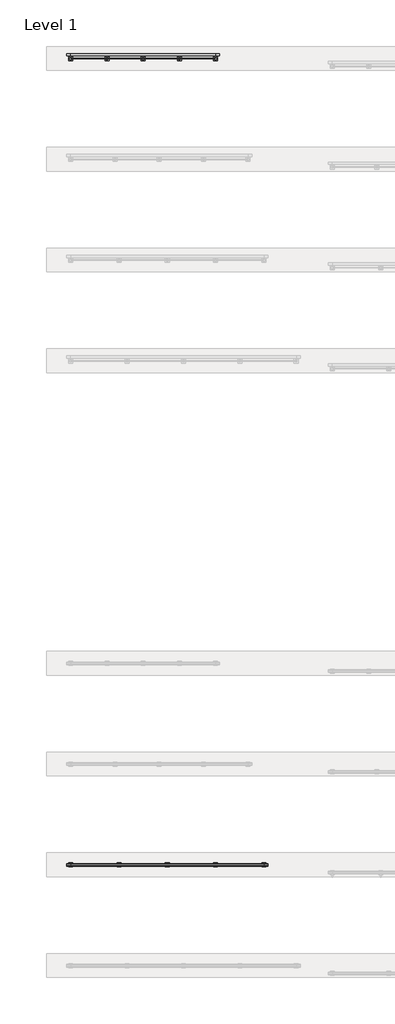
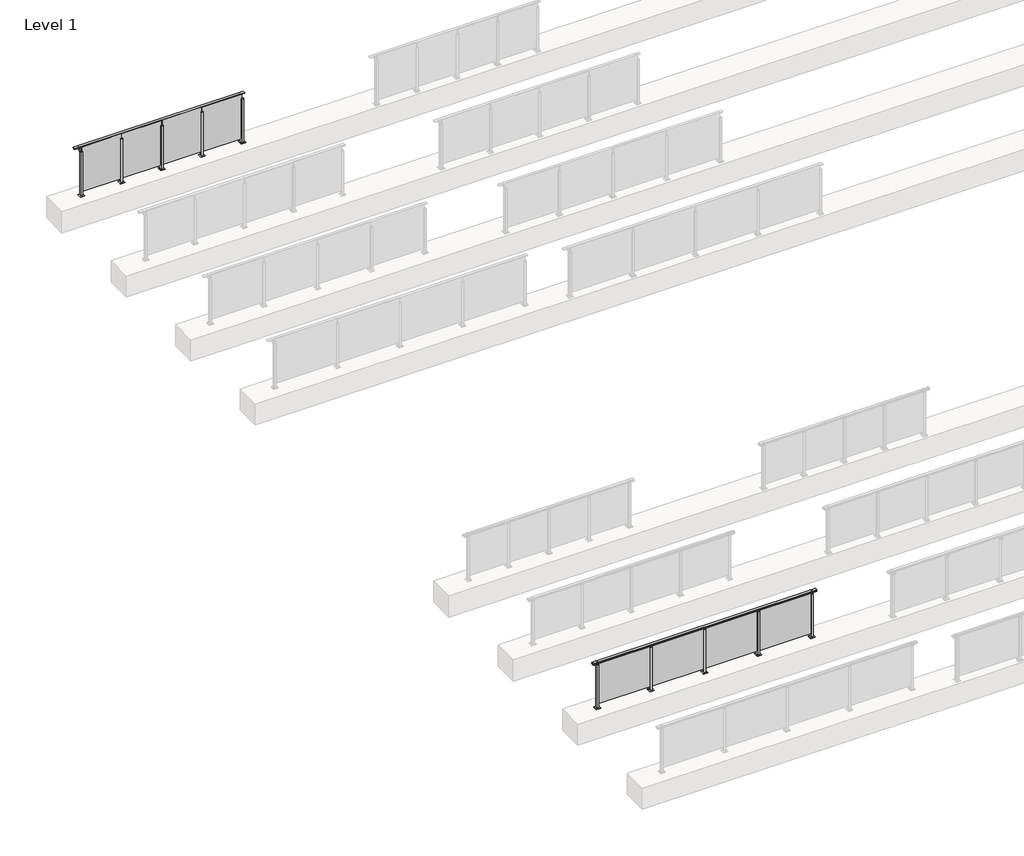
# One storey, part 53 of 64: 2 railings.
"""IFC4 building model written with IfcOpenShell, lengths in millimetres."""

import ifcopenshell
import ifcopenshell.guid

model = None  # the IFC model being written
_history = None  # IfcOwnerHistory: only IFC2X3 demands one
_inside = {}  # id of a spatial element -> (the spatial element, [elements in it])
_under = {}  # id of a project, library or spatial element -> (it, [spatial elements below it])
_declared = {}  # id of a project -> (the project, [libraries it declares])
_typed = {}  # id of a type object -> (the type object, [elements of that type])
_made_of = {}  # id of a material, layer set ... -> (it, [elements and type objects made of it])


def new_model(schema):
    """Start an empty IFC model of exactly this schema.

    Asked for "IFC4X3", IfcOpenShell would pick the latest addendum, in which some entities
    have other attributes; the version numbers below select the first issue.
    IFC2X3 requires an IfcOwnerHistory on every rooted entity: one is made here for all.
    """
    global model, _history
    if schema == "IFC4X3":
        model = ifcopenshell.file(schema_version=(4, 3, 0, 0))
    else:
        model = ifcopenshell.file(schema=schema)
    _inside.clear()
    _under.clear()
    _declared.clear()
    _typed.clear()
    _made_of.clear()
    _history = None
    if model.schema == "IFC2X3":
        org = make("IfcOrganization", Name="unknown")
        user = make(
            "IfcPersonAndOrganization",
            ThePerson=make("IfcPerson", FamilyName="unknown"),
            TheOrganization=org,
        )
        app = make(
            "IfcApplication",
            ApplicationDeveloper=org,
            Version="unknown",
            ApplicationFullName="unknown",
            ApplicationIdentifier="unknown",
        )
        _history = make(
            "IfcOwnerHistory",
            OwningUser=user,
            OwningApplication=app,
            ChangeAction="ADDED",
            CreationDate=0,
        )
    return model


def make(cls, **values):
    """One entity of the class cls with the attributes given. An attribute that is None is left unset."""
    return model.create_entity(
        cls, **{name: value for name, value in values.items() if value is not None}
    )


def rooted(cls, **values):
    """An entity with a GlobalId (a new one), such as an element, a storey or a relation."""
    return make(cls, GlobalId=ifcopenshell.guid.new(), OwnerHistory=_history, **values)


def si_unit(unit_type, name, prefix=None):
    """IfcSIUnit, for example si_unit("LENGTHUNIT", "METRE", prefix="MILLI")."""
    return make("IfcSIUnit", UnitType=unit_type, Prefix=prefix, Name=name)


def assignment(units):
    """IfcUnitAssignment: the units of a project."""
    return None if units is None else make("IfcUnitAssignment", Units=units)


def point(xyz):
    """IfcCartesianPoint."""
    return None if xyz is None else make("IfcCartesianPoint", Coordinates=xyz)


def direction(xyz):
    """IfcDirection."""
    return None if xyz is None else make("IfcDirection", DirectionRatios=xyz)


def frame(location, z_axis=None, x_axis=None):
    """IfcAxis2Placement3D, a coordinate frame: its origin and axes. An axis left out is left unset."""
    return make(
        "IfcAxis2Placement3D",
        Location=point(location),
        Axis=direction(z_axis),
        RefDirection=direction(x_axis),
    )


def frame_2d(location, x_axis=None):
    """IfcAxis2Placement2D, a coordinate frame in the plane: its origin and x axis."""
    return make(
        "IfcAxis2Placement2D", Location=point(location), RefDirection=direction(x_axis)
    )


def origin():
    """The frame at (0, 0, 0) with its axes left unset."""
    return frame((0.0, 0.0, 0.0))


def origin_with_axes():
    """The frame at (0, 0, 0) with the z axis (0, 0, 1) and the x axis (1, 0, 0) written out."""
    return frame((0.0, 0.0, 0.0), z_axis=(0.0, 0.0, 1.0), x_axis=(1.0, 0.0, 0.0))


def place(relative_to, where):
    """IfcLocalPlacement: puts the frame where relative to a parent placement (None: the world)."""
    return make(
        "IfcLocalPlacement", PlacementRelTo=relative_to, RelativePlacement=where
    )


def context(
    kind, dimensions, precision=None, world=None, true_north=None, identifier=None
):
    """IfcGeometricRepresentationContext, for example the 3D "Model" context."""
    return make(
        "IfcGeometricRepresentationContext",
        ContextIdentifier=identifier,
        ContextType=kind,
        CoordinateSpaceDimension=dimensions,
        Precision=precision,
        WorldCoordinateSystem=world,
        TrueNorth=true_north,
    )


def project(units=None, contexts=None):
    """IfcProject with its units and contexts."""
    return rooted(
        "IfcProject",
        Name="project",
        RepresentationContexts=contexts,
        UnitsInContext=assignment(units),
    )


def spatial(cls, under=None, at=None, **own):
    """A site, building, storey or space (cls), placed at a placement, below another one or the project."""
    s = rooted(cls, ObjectPlacement=at, **own)
    if under is not None:
        _under.setdefault(under.id(), (under, []))[1].append(s)
    return s


def polyline(points):
    """IfcPolyline through the points."""
    return make("IfcPolyline", Points=[point(p) for p in points])


def circle_curve(where, radius):
    """IfcCircle in the frame where."""
    return make("IfcCircle", Position=where, Radius=radius)


def trimmed(basis, trim1, trim2, sense, master):
    """IfcTrimmedCurve: the piece of a basis curve between two trims."""
    return make(
        "IfcTrimmedCurve",
        BasisCurve=basis,
        Trim1=trim1,
        Trim2=trim2,
        SenseAgreement=sense,
        MasterRepresentation=master,
    )


def segment(curve, same_sense, transition):
    """IfcCompositeCurveSegment."""
    return make(
        "IfcCompositeCurveSegment",
        Transition=transition,
        SameSense=same_sense,
        ParentCurve=curve,
    )


def composite_curve(segments, self_intersect=None):
    """IfcCompositeCurve: segments joined end to end."""
    return make("IfcCompositeCurve", Segments=segments, SelfIntersect=self_intersect)


def outline(outer, holes=None, kind="AREA"):
    """IfcArbitraryClosedProfileDef: a profile drawn as a closed curve; with holes, ...WithVoids."""
    if holes is None:
        return make("IfcArbitraryClosedProfileDef", ProfileType=kind, OuterCurve=outer)
    return make(
        "IfcArbitraryProfileDefWithVoids",
        ProfileType=kind,
        OuterCurve=outer,
        InnerCurves=holes,
    )


def extrude(swept, where, along, depth):
    """IfcExtrudedAreaSolid: the profile swept, set in the frame where, extruded along a direction by depth."""
    return make(
        "IfcExtrudedAreaSolid",
        SweptArea=swept,
        Position=where,
        ExtrudedDirection=direction(along),
        Depth=depth,
    )


def faces_of(points, faces, orient=None, outer=None):
    """IfcFace entities. A face is a list of loops; a loop is a list of indices into points, from 0.

    orient and outer hold one flag for each loop. By default every Orientation is true, the
    first loop of a face is its IfcFaceOuterBound and the others are IfcFaceBound.
    """
    made = []
    for i, loops in enumerate(faces):
        bounds = []
        for j, loop in enumerate(loops):
            is_outer = j == 0 if outer is None else outer[i][j]
            bounds.append(
                make(
                    "IfcFaceOuterBound" if is_outer else "IfcFaceBound",
                    Bound=make("IfcPolyLoop", Polygon=[points[k] for k in loop]),
                    Orientation=True if orient is None else orient[i][j],
                )
            )
        made.append(make("IfcFace", Bounds=bounds))
    return made


def faceted_brep(points, faces, orient=None, outer=None, voids=None):
    """IfcFacetedBrep: a solid bounded by flat faces; with voids (closed shells), ...WithVoids."""
    shared = [point(p) for p in points]
    hull = make("IfcClosedShell", CfsFaces=faces_of(shared, faces, orient, outer))
    if voids is None:
        return make("IfcFacetedBrep", Outer=hull)
    return make(
        "IfcFacetedBrepWithVoids",
        Outer=hull,
        Voids=[
            make(cls, CfsFaces=faces_of(shared, fs, o, b)) for cls, fs, o, b in voids
        ],
    )


def shape(context_of_items, identifier, shape_type, items):
    """IfcShapeRepresentation: the items that make up one representation, for example the "Body"."""
    return make(
        "IfcShapeRepresentation",
        ContextOfItems=context_of_items,
        RepresentationIdentifier=identifier,
        RepresentationType=shape_type,
        Items=items,
    )


def made_of(thing, what):
    """Note that an element or type object is made of a material, layer set ...; save() writes the relation."""
    if what is not None:
        _made_of.setdefault(what.id(), (what, []))[1].append(thing)
    return thing


def element(
    cls,
    number,
    at=None,
    inside=None,
    cuts=None,
    type_object=None,
    material=None,
    context=None,
    identifier="Body",
    shape_type=None,
    held_by="IfcProductDefinitionShape",
    body=None,
    shapes=None,
    **own,
):
    """One element of the class cls, such as IfcWall. Its Tag is "e" and its number.

    at: its placement. inside: the storey or other place that contains it. cuts: it is an
    opening in that element (IfcRelVoidsElement). A single representation is given by context,
    identifier, shape_type and body (its items); several are given by shapes. held_by: the class
    of the entity that holds the representations. save() writes the other relations.
    """
    e = rooted(cls, Tag="e%d" % number, ObjectPlacement=at, **own)
    if body is not None:
        shapes = [shape(context, identifier, shape_type, body)]
    if shapes is not None:
        e.Representation = make(held_by, Representations=shapes)
    if inside is not None:
        _inside.setdefault(inside.id(), (inside, []))[1].append(e)
    if cuts is not None:
        rooted(
            "IfcRelVoidsElement", RelatingBuildingElement=cuts, RelatedOpeningElement=e
        )
    if type_object is not None:
        _typed.setdefault(type_object.id(), (type_object, []))[1].append(e)
    return made_of(e, material)


def aggregate(whole, parts):
    """IfcRelAggregates: a whole, such as a stair, and the parts it consists of."""
    return rooted("IfcRelAggregates", RelatingObject=whole, RelatedObjects=parts)


def save(model, path):
    """Write the relations noted so far, then the file.

    IfcRelAggregates (storeys below a building ...), IfcRelContainedInSpatialStructure (elements
    in a storey), IfcRelDefinesByType, IfcRelAssociatesMaterial and IfcRelDeclares: one each for
    every whole, place, type object, material and project.
    """
    for whole, parts in _under.values():
        aggregate(whole, parts)
    for where, things in _inside.values():
        rooted(
            "IfcRelContainedInSpatialStructure",
            RelatedElements=things,
            RelatingStructure=where,
        )
    for kind, things in _typed.values():
        rooted("IfcRelDefinesByType", RelatedObjects=things, RelatingType=kind)
    for what, things in _made_of.values():
        rooted("IfcRelAssociatesMaterial", RelatedObjects=things, RelatingMaterial=what)
    for by, libraries in _declared.values():
        rooted("IfcRelDeclares", RelatingContext=by, RelatedDefinitions=libraries)
    model.write(path)


def plane_surface(at):
    """IfcPlane: the flat surface through the origin of the frame at, square to its z axis."""
    return make("IfcPlane", Position=at)


def cylinder_surface(at, radius):
    """IfcCylindricalSurface: all points at the distance radius from the z axis of the frame at."""
    return make("IfcCylindricalSurface", Position=at, Radius=radius)


def revolved_surface(curve, axis_point, axis_direction):
    """IfcSurfaceOfRevolution: the curve turned about the line through axis_point along axis_direction."""
    return make(
        "IfcSurfaceOfRevolution",
        SweptCurve=make("IfcArbitraryOpenProfileDef", ProfileType="CURVE", Curve=curve),
        AxisPosition=make("IfcAxis1Placement", Location=point(axis_point), Axis=direction(axis_direction)),
    )


def advanced_brep(points, edges, surfaces, faces):
    """IfcAdvancedBrep: a solid bounded by faces that lie on surfaces and meet in shared edges.

    An edge is (start, end): straight between two places in points (the first is 0);
    or (start, end, curve); or (start, end, curve, False) where it runs against its curve.
    A face is (place in surfaces, loops), or (place, loops, False) where it looks against
    its surface's normal. A loop lists edges by number (the first is 1), with a minus sign
    where the edge is run from its end to its start. The first loop is the outer one.
    """
    corners = [point(p) for p in points]
    vertices = [make("IfcVertexPoint", VertexGeometry=c) for c in corners]
    made = []
    for start, end, *more in edges:
        made.append(
            make(
                "IfcEdgeCurve",
                EdgeStart=vertices[start],
                EdgeEnd=vertices[end],
                EdgeGeometry=more[0] if more else make("IfcPolyline", Points=[corners[start], corners[end]]),
                SameSense=more[1] if len(more) > 1 else True,
            )
        )
    hull = []
    for where, loops, *sense in faces:
        bounds = []
        for j, loop in enumerate(loops):
            ring = [make("IfcOrientedEdge", EdgeElement=made[abs(k) - 1], Orientation=k > 0) for k in loop]
            bounds.append(
                make(
                    "IfcFaceOuterBound" if j == 0 else "IfcFaceBound",
                    Bound=make("IfcEdgeLoop", EdgeList=ring),
                    Orientation=True,
                )
            )
        hull.append(make("IfcAdvancedFace", Bounds=bounds, FaceSurface=surfaces[where], SameSense=sense[0] if sense else True))
    return make("IfcAdvancedBrep", Outer=make("IfcClosedShell", CfsFaces=hull))


model = new_model("IFC4")

# Units and contexts
model_context = context("Model", 3, world=origin())
ifc_project = project(units=[si_unit("LENGTHUNIT", "METRE", prefix="MILLI")], contexts=[model_context])

# Site, building, storey
site = spatial("IfcSite", under=ifc_project)
building = spatial("IfcBuilding", under=site)
storey = spatial("IfcBuildingStorey", under=building, Name="Level 1", Elevation=0.0)

# Railings
placement = place(None, origin())
element("IfcRailing", 1, at=placement, inside=storey, context=model_context, shape_type="SolidModel", body=[
    advanced_brep(
    [(29900.0, 32715.3633756, 1095.6691182), (29900.0, 32720.1846828, 1081.1334092), (29900.0, 32719.2413744, 1069.2539035), (29900.0, 32721.1364177, 1061.4863007), (29900.0, 32719.4894799, 1060.384124), (29900.0, 32719.4894799, 1062.0), (29900.0, 32660.8798858, 1062.0), (29900.0, 32660.8798858, 1060.384124), (29900.0, 32659.232948, 1061.4863007), (29900.0, 32661.1279912, 1069.2539035), (29900.0, 32660.1846828, 1081.1334092), (29900.0, 32665.00599, 1095.6691182), (34900.0, 32715.3633756, 1095.6691182), (34900.0, 32665.00599, 1095.6691182), (34900.0, 32660.1846828, 1081.1334092), (34900.0, 32661.1279912, 1069.2539035), (34900.0, 32659.232948, 1061.4863007), (34900.0, 32660.8798858, 1060.384124), (34900.0, 32660.8798858, 1062.0), (34900.0, 32719.4894799, 1062.0), (34900.0, 32719.4894799, 1060.384124), (34900.0, 32721.1364177, 1061.4863007), (34900.0, 32719.2413744, 1069.2539035), (34900.0, 32720.1846828, 1081.1334092), (30000.0, 32715.3633756, 1095.6691182), (30000.0, 32720.1846828, 1081.1334092), (30000.0, 32719.2413744, 1069.2539035), (30000.0, 32721.1364177, 1061.4863007), (30000.0, 32719.4894799, 1060.384124), (30000.0, 32719.4894799, 1062.0), (30000.0, 32660.8798858, 1062.0), (30000.0, 32660.8798858, 1060.384124), (30000.0, 32659.232948, 1061.4863007), (30000.0, 32661.1279912, 1069.2539035), (30000.0, 32660.1846828, 1081.1334092), (30000.0, 32665.00599, 1095.6691182), (34800.0, 32715.3633756, 1095.6691182), (34800.0, 32720.1846828, 1081.1334092), (34800.0, 32719.2413744, 1069.2539035), (34800.0, 32721.1364177, 1061.4863007), (34800.0, 32719.4894799, 1060.384124), (34800.0, 32719.4894799, 1062.0), (34800.0, 32660.8798858, 1062.0), (34800.0, 32660.8798858, 1060.384124), (34800.0, 32659.232948, 1061.4863007), (34800.0, 32661.1279912, 1069.2539035), (34800.0, 32660.1846828, 1081.1334092), (34800.0, 32665.00599, 1095.6691182)],
    [
        (0, 1, circle_curve(frame((29900.0, 32712.1223845, 1086.526686), z_axis=(-1.0, 0.0, 0.0), x_axis=(0.0, -1.0, 0.0)), 9.6999015)),
        (1, 2, circle_curve(frame((29900.0, 32737.7252545, 1073.7633709), z_axis=(1.0, 0.0, 0.0), x_axis=(0.0, -1.0, 0.0)), 19.0260117)),
        (2, 3),
        (3, 4, circle_curve(frame((29900.0, 32720.2772073, 1060.9886194), z_axis=(-1.0, 0.0, 0.0), x_axis=(0.0, -1.0, 0.0)), 0.9929396)),
        (4, 5),
        (5, 6),
        (6, 7),
        (7, 8, circle_curve(frame((29900.0, 32660.0921584, 1060.9886194), z_axis=(-1.0, 0.0, 0.0), x_axis=(0.0, 1.0, 0.0)), 0.9929396)),
        (8, 9),
        (9, 10, circle_curve(frame((29900.0, 32642.6441111, 1073.7633709), z_axis=(1.0, 0.0, 0.0), x_axis=(0.0, 1.0, 0.0)), 19.0260117)),
        (10, 11, circle_curve(frame((29900.0, 32668.2469812, 1086.526686), z_axis=(-1.0, 0.0, 0.0), x_axis=(0.0, 1.0, 0.0)), 9.6999015)),
        (11, 0, circle_curve(frame((29900.0, 32690.1846828, 1024.6431628), z_axis=(-1.0, 0.0, 0.0), x_axis=(0.0, 1.0, 0.0)), 75.3568372)),
        (12, 13, circle_curve(frame((34900.0, 32690.1846828, 1024.6431628), z_axis=(1.0, 0.0, 0.0), x_axis=(0.0, 1.0, 0.0)), 75.3568372)),
        (13, 14, circle_curve(frame((34900.0, 32668.2469812, 1086.526686), z_axis=(1.0, 0.0, 0.0), x_axis=(0.0, 1.0, 0.0)), 9.6999015)),
        (14, 15, circle_curve(frame((34900.0, 32642.6441111, 1073.7633709), z_axis=(-1.0, 0.0, 0.0), x_axis=(0.0, 1.0, 0.0)), 19.0260117)),
        (15, 16),
        (16, 17, circle_curve(frame((34900.0, 32660.0921584, 1060.9886194), z_axis=(1.0, 0.0, 0.0), x_axis=(0.0, 1.0, 0.0)), 0.9929396)),
        (17, 18),
        (18, 19),
        (19, 20),
        (20, 21, circle_curve(frame((34900.0, 32720.2772073, 1060.9886194), z_axis=(1.0, 0.0, 0.0), x_axis=(0.0, -1.0, 0.0)), 0.9929396)),
        (21, 22),
        (22, 23, circle_curve(frame((34900.0, 32737.7252545, 1073.7633709), z_axis=(-1.0, 0.0, 0.0), x_axis=(0.0, -1.0, 0.0)), 19.0260117)),
        (23, 12, circle_curve(frame((34900.0, 32712.1223845, 1086.526686), z_axis=(1.0, 0.0, 0.0), x_axis=(0.0, -1.0, 0.0)), 9.6999015)),
        (0, 24),
        (24, 25, circle_curve(frame((30000.0, 32712.1223845, 1086.526686), z_axis=(-1.0, 0.0, 0.0), x_axis=(0.0, -1.0, 0.0)), 9.6999015)),
        (25, 1),
        (25, 26, circle_curve(frame((30000.0, 32737.7252545, 1073.7633709), z_axis=(1.0, 0.0, 0.0), x_axis=(0.0, -1.0, 0.0)), 19.0260117)),
        (26, 2),
        (26, 27),
        (27, 3),
        (27, 28, circle_curve(frame((30000.0, 32720.2772073, 1060.9886194), z_axis=(-1.0, 0.0, 0.0), x_axis=(0.0, -1.0, 0.0)), 0.9929396)),
        (28, 4),
        (28, 29),
        (29, 5),
        (29, 30),
        (30, 6),
        (30, 31),
        (31, 7),
        (31, 32, circle_curve(frame((30000.0, 32660.0921584, 1060.9886194), z_axis=(-1.0, 0.0, 0.0), x_axis=(0.0, 1.0, 0.0)), 0.9929396)),
        (32, 8),
        (32, 33),
        (33, 9),
        (33, 34, circle_curve(frame((30000.0, 32642.6441111, 1073.7633709), z_axis=(1.0, 0.0, 0.0), x_axis=(0.0, 1.0, 0.0)), 19.0260117)),
        (34, 10),
        (34, 35, circle_curve(frame((30000.0, 32668.2469812, 1086.526686), z_axis=(-1.0, 0.0, 0.0), x_axis=(0.0, 1.0, 0.0)), 9.6999015)),
        (35, 11),
        (35, 24, circle_curve(frame((30000.0, 32690.1846828, 1024.6431628), z_axis=(-1.0, 0.0, 0.0), x_axis=(0.0, 1.0, 0.0)), 75.3568372)),
        (24, 36),
        (36, 37, circle_curve(frame((34800.0, 32712.1223845, 1086.526686), z_axis=(-1.0, 0.0, 0.0), x_axis=(0.0, -1.0, 0.0)), 9.6999015)),
        (37, 25),
        (37, 38, circle_curve(frame((34800.0, 32737.7252545, 1073.7633709), z_axis=(1.0, 0.0, 0.0), x_axis=(0.0, -1.0, 0.0)), 19.0260117)),
        (38, 26),
        (38, 39),
        (39, 27),
        (39, 40, circle_curve(frame((34800.0, 32720.2772073, 1060.9886194), z_axis=(-1.0, 0.0, 0.0), x_axis=(0.0, -1.0, 0.0)), 0.9929396)),
        (40, 28),
        (40, 41),
        (41, 29),
        (41, 42),
        (42, 30),
        (42, 43),
        (43, 31),
        (43, 44, circle_curve(frame((34800.0, 32660.0921584, 1060.9886194), z_axis=(-1.0, 0.0, 0.0), x_axis=(0.0, 1.0, 0.0)), 0.9929396)),
        (44, 32),
        (44, 45),
        (45, 33),
        (45, 46, circle_curve(frame((34800.0, 32642.6441111, 1073.7633709), z_axis=(1.0, 0.0, 0.0), x_axis=(0.0, 1.0, 0.0)), 19.0260117)),
        (46, 34),
        (46, 47, circle_curve(frame((34800.0, 32668.2469812, 1086.526686), z_axis=(-1.0, 0.0, 0.0), x_axis=(0.0, 1.0, 0.0)), 9.6999015)),
        (47, 35),
        (47, 36, circle_curve(frame((34800.0, 32690.1846828, 1024.6431628), z_axis=(-1.0, 0.0, 0.0), x_axis=(0.0, 1.0, 0.0)), 75.3568372)),
        (36, 12),
        (23, 37),
        (22, 38),
        (21, 39),
        (20, 40),
        (19, 41),
        (18, 42),
        (17, 43),
        (16, 44),
        (15, 45),
        (14, 46),
        (13, 47),
    ],
    [
        plane_surface(frame((29900.0, 32690.1846828, 1100.0), z_axis=(-1.0, 0.0, 0.0), x_axis=(0.0, 1.0, 0.0))),
        plane_surface(frame((34900.0, 32690.1846828, 1100.0), z_axis=(1.0, 0.0, 0.0), x_axis=(0.0, 1.0, 0.0))),
        cylinder_surface(frame((29900.0, 32712.1223845, 1086.526686), z_axis=(-1.0, 0.0, 0.0), x_axis=(0.0, -1.0, 0.0)), 9.6999015),
        revolved_surface(polyline([(30000.0, 32718.6992428, 1073.7633709), (29900.0, 32718.6992428, 1073.7633709)]), (29900.0, 32737.7252545, 1073.7633709), (1.0, 0.0, 0.0)),
        plane_surface(frame((29900.0, 32719.2413744, 1069.2539035), z_axis=(0.0, 0.9715057689301543, 0.2370159086125439), x_axis=(1.0, 0.0, 0.0))),
        cylinder_surface(frame((29900.0, 32720.2772073, 1060.9886194), z_axis=(-1.0, 0.0, 0.0), x_axis=(0.0, -1.0, 0.0)), 0.9929396),
        plane_surface(frame((29900.0, 32719.4894799, 1060.384124), z_axis=(0.0, -1.0, 0.0), x_axis=(1.0, 0.0, 0.0))),
        plane_surface(frame((29900.0, 32719.4894799, 1062.0), z_axis=(0.0, 0.0, -1.0), x_axis=(1.0, 0.0, 0.0))),
        plane_surface(frame((29900.0, 32660.8798858, 1062.0), z_axis=(0.0, 1.0, 0.0), x_axis=(1.0, 0.0, 0.0))),
        cylinder_surface(frame((29900.0, 32660.0921584, 1060.9886194), z_axis=(-1.0, 0.0, 0.0), x_axis=(0.0, 1.0, 0.0)), 0.9929396),
        plane_surface(frame((29900.0, 32659.232948, 1061.4863007), z_axis=(0.0, -0.9715057689301543, 0.2370159086125439), x_axis=(1.0, 0.0, 0.0))),
        revolved_surface(polyline([(30000.0, 32661.6701228, 1073.7633709), (29900.0, 32661.6701228, 1073.7633709)]), (29900.0, 32642.6441111, 1073.7633709), (1.0, 0.0, 0.0)),
        cylinder_surface(frame((29900.0, 32668.2469812, 1086.526686), z_axis=(-1.0, 0.0, 0.0), x_axis=(0.0, 1.0, 0.0)), 9.6999015),
        cylinder_surface(frame((29900.0, 32690.1846828, 1024.6431628), z_axis=(-1.0, 0.0, 0.0), x_axis=(0.0, 1.0, 0.0)), 75.3568372),
        cylinder_surface(frame((30000.0, 32712.1223845, 1086.526686), z_axis=(-1.0, 0.0, 0.0), x_axis=(0.0, -1.0, 0.0)), 9.6999015),
        revolved_surface(polyline([(34800.0, 32718.6992428, 1073.7633709), (30000.0, 32718.6992428, 1073.7633709)]), (30000.0, 32737.7252545, 1073.7633709), (1.0, 0.0, 0.0)),
        plane_surface(frame((30000.0, 32719.2413744, 1069.2539035), z_axis=(0.0, 0.9715057689301543, 0.2370159086125439), x_axis=(1.0, 0.0, 0.0))),
        cylinder_surface(frame((30000.0, 32720.2772073, 1060.9886194), z_axis=(-1.0, 0.0, 0.0), x_axis=(0.0, -1.0, 0.0)), 0.9929396),
        plane_surface(frame((30000.0, 32719.4894799, 1060.384124), z_axis=(0.0, -1.0, 0.0), x_axis=(1.0, 0.0, 0.0))),
        plane_surface(frame((30000.0, 32719.4894799, 1062.0), z_axis=(0.0, 0.0, -1.0), x_axis=(1.0, 0.0, 0.0))),
        plane_surface(frame((30000.0, 32660.8798858, 1062.0), z_axis=(0.0, 1.0, 0.0), x_axis=(1.0, 0.0, 0.0))),
        cylinder_surface(frame((30000.0, 32660.0921584, 1060.9886194), z_axis=(-1.0, 0.0, 0.0), x_axis=(0.0, 1.0, 0.0)), 0.9929396),
        plane_surface(frame((30000.0, 32659.232948, 1061.4863007), z_axis=(0.0, -0.9715057689301543, 0.2370159086125439), x_axis=(1.0, 0.0, 0.0))),
        revolved_surface(polyline([(34800.0, 32661.6701228, 1073.7633709), (30000.0, 32661.6701228, 1073.7633709)]), (30000.0, 32642.6441111, 1073.7633709), (1.0, 0.0, 0.0)),
        cylinder_surface(frame((30000.0, 32668.2469812, 1086.526686), z_axis=(-1.0, 0.0, 0.0), x_axis=(0.0, 1.0, 0.0)), 9.6999015),
        cylinder_surface(frame((30000.0, 32690.1846828, 1024.6431628), z_axis=(-1.0, 0.0, 0.0), x_axis=(0.0, 1.0, 0.0)), 75.3568372),
        cylinder_surface(frame((34800.0, 32712.1223845, 1086.526686), z_axis=(-1.0, 0.0, 0.0), x_axis=(0.0, -1.0, 0.0)), 9.6999015),
        revolved_surface(polyline([(34900.0, 32718.6992428, 1073.7633709), (34800.0, 32718.6992428, 1073.7633709)]), (34800.0, 32737.7252545, 1073.7633709), (1.0, 0.0, 0.0)),
        plane_surface(frame((34800.0, 32719.2413744, 1069.2539035), z_axis=(0.0, 0.9715057689301543, 0.2370159086125439), x_axis=(1.0, 0.0, 0.0))),
        cylinder_surface(frame((34800.0, 32720.2772073, 1060.9886194), z_axis=(-1.0, 0.0, 0.0), x_axis=(0.0, -1.0, 0.0)), 0.9929396),
        plane_surface(frame((34800.0, 32719.4894799, 1060.384124), z_axis=(0.0, -1.0, 0.0), x_axis=(1.0, 0.0, 0.0))),
        plane_surface(frame((34800.0, 32719.4894799, 1062.0), z_axis=(0.0, 0.0, -1.0), x_axis=(1.0, 0.0, 0.0))),
        plane_surface(frame((34800.0, 32660.8798858, 1062.0), z_axis=(0.0, 1.0, 0.0), x_axis=(1.0, 0.0, 0.0))),
        cylinder_surface(frame((34800.0, 32660.0921584, 1060.9886194), z_axis=(-1.0, 0.0, 0.0), x_axis=(0.0, 1.0, 0.0)), 0.9929396),
        plane_surface(frame((34800.0, 32659.232948, 1061.4863007), z_axis=(0.0, -0.9715057689301543, 0.2370159086125439), x_axis=(1.0, 0.0, 0.0))),
        revolved_surface(polyline([(34900.0, 32661.6701228, 1073.7633709), (34800.0, 32661.6701228, 1073.7633709)]), (34800.0, 32642.6441111, 1073.7633709), (1.0, 0.0, 0.0)),
        cylinder_surface(frame((34800.0, 32668.2469812, 1086.526686), z_axis=(-1.0, 0.0, 0.0), x_axis=(0.0, 1.0, 0.0)), 9.6999015),
        cylinder_surface(frame((34800.0, 32690.1846828, 1024.6431628), z_axis=(-1.0, 0.0, 0.0), x_axis=(0.0, 1.0, 0.0)), 75.3568372),
    ],
    [
        (0, [[1, 2, 3, 4, 5, 6, 7, 8, 9, 10, 11, 12]]),
        (1, [[13, 14, 15, 16, 17, 18, 19, 20, 21, 22, 23, 24]]),
        (2, [[-1, 25, 26, 27]]),
        (3, [[-2, -27, 28, 29]]),
        (4, [[-3, -29, 30, 31]]),
        (5, [[-4, -31, 32, 33]]),
        (6, [[-5, -33, 34, 35]]),
        (7, [[-6, -35, 36, 37]]),
        (8, [[-7, -37, 38, 39]]),
        (9, [[-8, -39, 40, 41]]),
        (10, [[-9, -41, 42, 43]]),
        (11, [[-10, -43, 44, 45]]),
        (12, [[-11, -45, 46, 47]]),
        (13, [[-12, -47, 48, -25]]),
        (14, [[-26, 49, 50, 51]]),
        (15, [[-28, -51, 52, 53]]),
        (16, [[-30, -53, 54, 55]]),
        (17, [[-32, -55, 56, 57]]),
        (18, [[-34, -57, 58, 59]]),
        (19, [[-36, -59, 60, 61]]),
        (20, [[-38, -61, 62, 63]]),
        (21, [[-40, -63, 64, 65]]),
        (22, [[-42, -65, 66, 67]]),
        (23, [[-44, -67, 68, 69]]),
        (24, [[-46, -69, 70, 71]]),
        (25, [[-48, -71, 72, -49]]),
        (26, [[-50, 73, -24, 74]]),
        (27, [[-52, -74, -23, 75]]),
        (28, [[-54, -75, -22, 76]]),
        (29, [[-56, -76, -21, 77]]),
        (30, [[-58, -77, -20, 78]]),
        (31, [[-60, -78, -19, 79]]),
        (32, [[-62, -79, -18, 80]]),
        (33, [[-64, -80, -17, 81]]),
        (34, [[-66, -81, -16, 82]]),
        (35, [[-68, -82, -15, 83]]),
        (36, [[-70, -83, -14, 84]]),
        (37, [[-72, -84, -13, -73]]),
    ],
),
    extrude(outline(polyline([(33610.0, 32690.9598727), (34790.0, 32690.9598727), (34790.0, 32680.9598727), (33610.0, 32680.9598727), (33610.0, 32690.9598727)])), frame((0.0, 0.0, 95.0), z_axis=(0.0, 0.0, 1.0), x_axis=(1.0, 0.0, 0.0)), (0.0, 0.0, 1.0), 970.0),
    extrude(outline(polyline([(33610.0, 32680.1846828), (33590.0, 32680.1846828), (33590.0, 32700.1846828), (33610.0, 32700.1846828), (33610.0, 32680.1846828)])), frame((0.0, 0.0, 1035.0), z_axis=(0.0, 0.0, 1.0), x_axis=(1.0, 0.0, 0.0)), (0.0, 0.0, 1.0), 20.0),
    extrude(outline(polyline([(33622.5, 32667.6846828), (33577.5, 32667.6846828), (33577.5, 32712.6846828), (33622.5, 32712.6846828), (33622.5, 32667.6846828)])), frame((0.0, 0.0, 1027.0), z_axis=(0.0, 0.0, 1.0), x_axis=(1.0, 0.0, 0.0)), (0.0, 0.0, 1.0), 8.0),
    extrude(outline(polyline([(33650.0, 32640.1846828), (33550.0, 32640.1846828), (33550.0, 32740.1846828), (33650.0, 32740.1846828), (33650.0, 32640.1846828)])), origin_with_axes(), (0.0, 0.0, 1.0), 12.0),
    extrude(outline(polyline([(33622.5, 32667.6846828), (33577.5, 32667.6846828), (33577.5, 32712.6846828), (33622.5, 32712.6846828), (33622.5, 32667.6846828)])), frame((0.0, 0.0, 12.0), z_axis=(0.0, 0.0, 1.0), x_axis=(1.0, 0.0, 0.0)), (0.0, 0.0, 1.0), 1015.0),
    extrude(outline(polyline([(32410.0, 32690.9598727), (33590.0, 32690.9598727), (33590.0, 32680.9598727), (32410.0, 32680.9598727), (32410.0, 32690.9598727)])), frame((0.0, 0.0, 95.0), z_axis=(0.0, 0.0, 1.0), x_axis=(1.0, 0.0, 0.0)), (0.0, 0.0, 1.0), 970.0),
    extrude(outline(polyline([(32410.0, 32680.1846828), (32390.0, 32680.1846828), (32390.0, 32700.1846828), (32410.0, 32700.1846828), (32410.0, 32680.1846828)])), frame((0.0, 0.0, 1035.0), z_axis=(0.0, 0.0, 1.0), x_axis=(1.0, 0.0, 0.0)), (0.0, 0.0, 1.0), 20.0),
    extrude(outline(polyline([(32422.5, 32667.6846828), (32377.5, 32667.6846828), (32377.5, 32712.6846828), (32422.5, 32712.6846828), (32422.5, 32667.6846828)])), frame((0.0, 0.0, 1027.0), z_axis=(0.0, 0.0, 1.0), x_axis=(1.0, 0.0, 0.0)), (0.0, 0.0, 1.0), 8.0),
    extrude(outline(polyline([(32450.0, 32640.1846828), (32350.0, 32640.1846828), (32350.0, 32740.1846828), (32450.0, 32740.1846828), (32450.0, 32640.1846828)])), origin_with_axes(), (0.0, 0.0, 1.0), 12.0),
    extrude(outline(polyline([(32422.5, 32667.6846828), (32377.5, 32667.6846828), (32377.5, 32712.6846828), (32422.5, 32712.6846828), (32422.5, 32667.6846828)])), frame((0.0, 0.0, 12.0), z_axis=(0.0, 0.0, 1.0), x_axis=(1.0, 0.0, 0.0)), (0.0, 0.0, 1.0), 1015.0),
    extrude(outline(polyline([(31210.0, 32690.9598727), (32390.0, 32690.9598727), (32390.0, 32680.9598727), (31210.0, 32680.9598727), (31210.0, 32690.9598727)])), frame((0.0, 0.0, 95.0), z_axis=(0.0, 0.0, 1.0), x_axis=(1.0, 0.0, 0.0)), (0.0, 0.0, 1.0), 970.0),
    extrude(outline(polyline([(31210.0, 32680.1846828), (31190.0, 32680.1846828), (31190.0, 32700.1846828), (31210.0, 32700.1846828), (31210.0, 32680.1846828)])), frame((0.0, 0.0, 1035.0), z_axis=(0.0, 0.0, 1.0), x_axis=(1.0, 0.0, 0.0)), (0.0, 0.0, 1.0), 20.0),
    extrude(outline(polyline([(31222.5, 32667.6846828), (31177.5, 32667.6846828), (31177.5, 32712.6846828), (31222.5, 32712.6846828), (31222.5, 32667.6846828)])), frame((0.0, 0.0, 1027.0), z_axis=(0.0, 0.0, 1.0), x_axis=(1.0, 0.0, 0.0)), (0.0, 0.0, 1.0), 8.0),
    extrude(outline(polyline([(31250.0, 32640.1846828), (31150.0, 32640.1846828), (31150.0, 32740.1846828), (31250.0, 32740.1846828), (31250.0, 32640.1846828)])), origin_with_axes(), (0.0, 0.0, 1.0), 12.0),
    extrude(outline(polyline([(31222.5, 32667.6846828), (31177.5, 32667.6846828), (31177.5, 32712.6846828), (31222.5, 32712.6846828), (31222.5, 32667.6846828)])), frame((0.0, 0.0, 12.0), z_axis=(0.0, 0.0, 1.0), x_axis=(1.0, 0.0, 0.0)), (0.0, 0.0, 1.0), 1015.0),
    extrude(outline(polyline([(30010.0, 32690.9598727), (31190.0, 32690.9598727), (31190.0, 32680.9598727), (30010.0, 32680.9598727), (30010.0, 32690.9598727)])), frame((0.0, 0.0, 95.0), z_axis=(0.0, 0.0, 1.0), x_axis=(1.0, 0.0, 0.0)), (0.0, 0.0, 1.0), 970.0),
    extrude(outline(polyline([(34810.0, 32680.1846828), (34790.0, 32680.1846828), (34790.0, 32700.1846828), (34810.0, 32700.1846828), (34810.0, 32680.1846828)])), frame((0.0, 0.0, 1035.0), z_axis=(0.0, 0.0, 1.0), x_axis=(1.0, 0.0, 0.0)), (0.0, 0.0, 1.0), 20.0),
    extrude(outline(polyline([(34822.5, 32667.6846828), (34777.5, 32667.6846828), (34777.5, 32712.6846828), (34822.5, 32712.6846828), (34822.5, 32667.6846828)])), frame((0.0, 0.0, 1027.0), z_axis=(0.0, 0.0, 1.0), x_axis=(1.0, 0.0, 0.0)), (0.0, 0.0, 1.0), 8.0),
    extrude(outline(polyline([(34850.0, 32640.1846828), (34750.0, 32640.1846828), (34750.0, 32740.1846828), (34850.0, 32740.1846828), (34850.0, 32640.1846828)])), origin_with_axes(), (0.0, 0.0, 1.0), 12.0),
    extrude(outline(polyline([(34822.5, 32667.6846828), (34777.5, 32667.6846828), (34777.5, 32712.6846828), (34822.5, 32712.6846828), (34822.5, 32667.6846828)])), frame((0.0, 0.0, 12.0), z_axis=(0.0, 0.0, 1.0), x_axis=(1.0, 0.0, 0.0)), (0.0, 0.0, 1.0), 1015.0),
    extrude(outline(polyline([(30010.0, 32680.1846828), (29990.0, 32680.1846828), (29990.0, 32700.1846828), (30010.0, 32700.1846828), (30010.0, 32680.1846828)])), frame((0.0, 0.0, 1035.0), z_axis=(0.0, 0.0, 1.0), x_axis=(1.0, 0.0, 0.0)), (0.0, 0.0, 1.0), 20.0),
    extrude(outline(polyline([(30022.5, 32667.6846828), (29977.5, 32667.6846828), (29977.5, 32712.6846828), (30022.5, 32712.6846828), (30022.5, 32667.6846828)])), frame((0.0, 0.0, 1027.0), z_axis=(0.0, 0.0, 1.0), x_axis=(1.0, 0.0, 0.0)), (0.0, 0.0, 1.0), 8.0),
    extrude(outline(polyline([(30050.0, 32640.1846828), (29950.0, 32640.1846828), (29950.0, 32740.1846828), (30050.0, 32740.1846828), (30050.0, 32640.1846828)])), origin_with_axes(), (0.0, 0.0, 1.0), 12.0),
    extrude(outline(polyline([(30022.5, 32667.6846828), (29977.5, 32667.6846828), (29977.5, 32712.6846828), (30022.5, 32712.6846828), (30022.5, 32667.6846828)])), frame((0.0, 0.0, 12.0), z_axis=(0.0, 0.0, 1.0), x_axis=(1.0, 0.0, 0.0)), (0.0, 0.0, 1.0), 1015.0),
])
element("IfcRailing", 2, at=placement, inside=storey, context=model_context, shape_type="SolidModel", body=[
    faceted_brep([(30000.0, 52815.6846828, 1085.0), (30000.0, 52815.6846828, 1100.0), (33600.0, 52815.6846828, 1100.0), (33600.0, 52815.6846828, 1085.0), (30000.0, 52755.6846828, 1085.0), (30000.0, 52795.6846828, 1085.0), (33600.0, 52795.6846828, 1085.0), (33600.0, 52755.6846828, 1085.0), (30000.0, 52755.6846828, 1100.0), (33600.0, 52755.6846828, 1100.0), (29900.0, 52815.6846828, 1100.0), (29900.0, 52815.6846828, 1085.0), (29900.0, 52800.6846828, 1085.0), (29900.0, 52800.6846828, 1073.0), (29900.0, 52795.6846828, 1073.0), (29900.0, 52795.6846828, 1085.0), (29900.0, 52755.6846828, 1085.0), (29900.0, 52755.6846828, 1100.0), (33700.0, 52815.6846828, 1100.0), (33700.0, 52755.6846828, 1100.0), (33700.0, 52755.6846828, 1085.0), (33700.0, 52795.6846828, 1085.0), (33700.0, 52795.6846828, 1073.0), (33700.0, 52800.6846828, 1073.0), (33700.0, 52800.6846828, 1085.0), (33700.0, 52815.6846828, 1085.0), (30000.0, 52800.6846828, 1085.0), (33600.0, 52800.6846828, 1085.0), (30000.0, 52800.6846828, 1073.0), (30000.0, 52795.6846828, 1073.0), (33600.0, 52800.6846828, 1073.0), (33600.0, 52795.6846828, 1073.0)], [[[0, 1, 2, 3]], [[4, 5, 6, 7]], [[8, 4, 7, 9]], [[1, 8, 9, 2]], [[10, 11, 12, 13, 14, 15, 16, 17]], [[11, 10, 1, 0]], [[16, 15, 5, 4]], [[17, 16, 4, 8]], [[10, 17, 8, 1]], [[18, 19, 20, 21, 22, 23, 24, 25]], [[3, 2, 18, 25]], [[7, 6, 21, 20]], [[9, 7, 20, 19]], [[2, 9, 19, 18]], [[12, 11, 0, 26]], [[26, 0, 3, 27]], [[27, 3, 25, 24]], [[13, 12, 26, 28]], [[14, 13, 28, 29]], [[15, 14, 29, 5]], [[28, 26, 27, 30]], [[29, 28, 30, 31]], [[5, 29, 31, 6]], [[30, 27, 24, 23]], [[31, 30, 23, 22]], [[6, 31, 22, 21]]]),
    extrude(outline(polyline([(32710.0, 52684.4094929), (32710.0, 52694.4094929), (33590.0, 52694.4094929), (33590.0, 52684.4094929), (32710.0, 52684.4094929)])), frame((0.0, 0.0, 95.0), z_axis=(0.0, 0.0, 1.0), x_axis=(1.0, 0.0, 0.0)), (0.0, 0.0, 1.0), 1055.0),
    extrude(outline(composite_curve([segment(polyline([(52800.6846828, 1085.0), (52800.6846828, 1060.900037)]), True, "CONTINUOUS"), segment(trimmed(circle_curve(frame_2d((52790.6846828, 1060.900037)), 10.0), [point((52800.6846828, 1060.900037))], [point((52793.2728733, 1051.2407787))], False, "CARTESIAN"), True, "CONTINUOUS"), segment(polyline([(52793.2728733, 1051.2407787), (52736.2244733, 1035.9547061)]), True, "CONTINUOUS"), segment(trimmed(circle_curve(frame_2d((52738.8126638, 1026.2954478)), 10.0), [point((52736.2244733, 1035.9547061))], [point((52728.8982152, 1027.6007097))], True, "CARTESIAN"), True, "CONTINUOUS"), segment(polyline([(52728.8982152, 1027.6007097), (52724.291393, 992.6084214)]), True, "CONTINUOUS"), segment(trimmed(circle_curve(frame_2d((52721.3170584, 993.0)), 3.0), [point((52724.291393, 992.6084214))], [point((52721.3170584, 990.0))], False, "CARTESIAN"), True, "CONTINUOUS"), segment(polyline([(52721.3170584, 990.0), (52712.6846828, 990.0), (52712.6846828, 1040.0), (52776.6846828, 1057.1487483), (52776.6846828, 1085.0), (52800.6846828, 1085.0)]), True, "CONTINUOUS")], self_intersect=False)), frame((32687.5, 0.0, 0.0), z_axis=(1.0, 0.0, 0.0), x_axis=(0.0, 1.0, 0.0)), (0.0, 0.0, 1.0), 25.0),
    extrude(outline(polyline([(32722.5, 52712.6846828), (32722.5, 52667.6846828), (32677.5, 52667.6846828), (32677.5, 52712.6846828), (32722.5, 52712.6846828)])), frame((0.0, 0.0, 1040.0), z_axis=(0.0, 0.0, 1.0), x_axis=(1.0, 0.0, 0.0)), (0.0, 0.0, 1.0), 5.0),
    extrude(outline(polyline([(32750.0, 52740.1846828), (32750.0, 52640.1846828), (32650.0, 52640.1846828), (32650.0, 52740.1846828), (32750.0, 52740.1846828)])), origin_with_axes(), (0.0, 0.0, 1.0), 12.0),
    extrude(outline(polyline([(32722.5, 52712.6846828), (32722.5, 52667.6846828), (32677.5, 52667.6846828), (32677.5, 52712.6846828), (32722.5, 52712.6846828)])), frame((0.0, 0.0, 12.0), z_axis=(0.0, 0.0, 1.0), x_axis=(1.0, 0.0, 0.0)), (0.0, 0.0, 1.0), 1028.0),
    extrude(outline(polyline([(31810.0, 52684.4094929), (31810.0, 52694.4094929), (32690.0, 52694.4094929), (32690.0, 52684.4094929), (31810.0, 52684.4094929)])), frame((0.0, 0.0, 95.0), z_axis=(0.0, 0.0, 1.0), x_axis=(1.0, 0.0, 0.0)), (0.0, 0.0, 1.0), 1055.0),
    extrude(outline(composite_curve([segment(polyline([(52800.6846828, 1085.0), (52800.6846828, 1060.900037)]), True, "CONTINUOUS"), segment(trimmed(circle_curve(frame_2d((52790.6846828, 1060.900037)), 10.0), [point((52800.6846828, 1060.900037))], [point((52793.2728733, 1051.2407787))], False, "CARTESIAN"), True, "CONTINUOUS"), segment(polyline([(52793.2728733, 1051.2407787), (52736.2244733, 1035.9547061)]), True, "CONTINUOUS"), segment(trimmed(circle_curve(frame_2d((52738.8126638, 1026.2954478)), 10.0), [point((52736.2244733, 1035.9547061))], [point((52728.8982152, 1027.6007097))], True, "CARTESIAN"), True, "CONTINUOUS"), segment(polyline([(52728.8982152, 1027.6007097), (52724.291393, 992.6084214)]), True, "CONTINUOUS"), segment(trimmed(circle_curve(frame_2d((52721.3170584, 993.0)), 3.0), [point((52724.291393, 992.6084214))], [point((52721.3170584, 990.0))], False, "CARTESIAN"), True, "CONTINUOUS"), segment(polyline([(52721.3170584, 990.0), (52712.6846828, 990.0), (52712.6846828, 1040.0), (52776.6846828, 1057.1487483), (52776.6846828, 1085.0), (52800.6846828, 1085.0)]), True, "CONTINUOUS")], self_intersect=False)), frame((31787.5, 0.0, 0.0), z_axis=(1.0, 0.0, 0.0), x_axis=(0.0, 1.0, 0.0)), (0.0, 0.0, 1.0), 25.0),
    extrude(outline(polyline([(31822.5, 52712.6846828), (31822.5, 52667.6846828), (31777.5, 52667.6846828), (31777.5, 52712.6846828), (31822.5, 52712.6846828)])), frame((0.0, 0.0, 1040.0), z_axis=(0.0, 0.0, 1.0), x_axis=(1.0, 0.0, 0.0)), (0.0, 0.0, 1.0), 5.0),
    extrude(outline(polyline([(31850.0, 52740.1846828), (31850.0, 52640.1846828), (31750.0, 52640.1846828), (31750.0, 52740.1846828), (31850.0, 52740.1846828)])), origin_with_axes(), (0.0, 0.0, 1.0), 12.0),
    extrude(outline(polyline([(31822.5, 52712.6846828), (31822.5, 52667.6846828), (31777.5, 52667.6846828), (31777.5, 52712.6846828), (31822.5, 52712.6846828)])), frame((0.0, 0.0, 12.0), z_axis=(0.0, 0.0, 1.0), x_axis=(1.0, 0.0, 0.0)), (0.0, 0.0, 1.0), 1028.0),
    extrude(outline(polyline([(30910.0, 52684.4094929), (30910.0, 52694.4094929), (31790.0, 52694.4094929), (31790.0, 52684.4094929), (30910.0, 52684.4094929)])), frame((0.0, 0.0, 95.0), z_axis=(0.0, 0.0, 1.0), x_axis=(1.0, 0.0, 0.0)), (0.0, 0.0, 1.0), 1055.0),
    extrude(outline(composite_curve([segment(polyline([(52800.6846828, 1085.0), (52800.6846828, 1060.900037)]), True, "CONTINUOUS"), segment(trimmed(circle_curve(frame_2d((52790.6846828, 1060.900037)), 10.0), [point((52800.6846828, 1060.900037))], [point((52793.2728733, 1051.2407787))], False, "CARTESIAN"), True, "CONTINUOUS"), segment(polyline([(52793.2728733, 1051.2407787), (52736.2244733, 1035.9547061)]), True, "CONTINUOUS"), segment(trimmed(circle_curve(frame_2d((52738.8126638, 1026.2954478)), 10.0), [point((52736.2244733, 1035.9547061))], [point((52728.8982152, 1027.6007097))], True, "CARTESIAN"), True, "CONTINUOUS"), segment(polyline([(52728.8982152, 1027.6007097), (52724.291393, 992.6084214)]), True, "CONTINUOUS"), segment(trimmed(circle_curve(frame_2d((52721.3170584, 993.0)), 3.0), [point((52724.291393, 992.6084214))], [point((52721.3170584, 990.0))], False, "CARTESIAN"), True, "CONTINUOUS"), segment(polyline([(52721.3170584, 990.0), (52712.6846828, 990.0), (52712.6846828, 1040.0), (52776.6846828, 1057.1487483), (52776.6846828, 1085.0), (52800.6846828, 1085.0)]), True, "CONTINUOUS")], self_intersect=False)), frame((30887.5, 0.0, 0.0), z_axis=(1.0, 0.0, 0.0), x_axis=(0.0, 1.0, 0.0)), (0.0, 0.0, 1.0), 25.0),
    extrude(outline(polyline([(30922.5, 52712.6846828), (30922.5, 52667.6846828), (30877.5, 52667.6846828), (30877.5, 52712.6846828), (30922.5, 52712.6846828)])), frame((0.0, 0.0, 1040.0), z_axis=(0.0, 0.0, 1.0), x_axis=(1.0, 0.0, 0.0)), (0.0, 0.0, 1.0), 5.0),
    extrude(outline(polyline([(30950.0, 52740.1846828), (30950.0, 52640.1846828), (30850.0, 52640.1846828), (30850.0, 52740.1846828), (30950.0, 52740.1846828)])), origin_with_axes(), (0.0, 0.0, 1.0), 12.0),
    extrude(outline(polyline([(30922.5, 52712.6846828), (30922.5, 52667.6846828), (30877.5, 52667.6846828), (30877.5, 52712.6846828), (30922.5, 52712.6846828)])), frame((0.0, 0.0, 12.0), z_axis=(0.0, 0.0, 1.0), x_axis=(1.0, 0.0, 0.0)), (0.0, 0.0, 1.0), 1028.0),
    extrude(outline(polyline([(30010.0, 52684.4094929), (30010.0, 52694.4094929), (30890.0, 52694.4094929), (30890.0, 52684.4094929), (30010.0, 52684.4094929)])), frame((0.0, 0.0, 95.0), z_axis=(0.0, 0.0, 1.0), x_axis=(1.0, 0.0, 0.0)), (0.0, 0.0, 1.0), 1055.0),
    extrude(outline(composite_curve([segment(polyline([(52800.6846828, 1085.0), (52800.6846828, 1060.900037)]), True, "CONTINUOUS"), segment(trimmed(circle_curve(frame_2d((52790.6846828, 1060.900037)), 10.0), [point((52800.6846828, 1060.900037))], [point((52793.2728733, 1051.2407787))], False, "CARTESIAN"), True, "CONTINUOUS"), segment(polyline([(52793.2728733, 1051.2407787), (52736.2244733, 1035.9547061)]), True, "CONTINUOUS"), segment(trimmed(circle_curve(frame_2d((52738.8126638, 1026.2954478)), 10.0), [point((52736.2244733, 1035.9547061))], [point((52728.8982152, 1027.6007097))], True, "CARTESIAN"), True, "CONTINUOUS"), segment(polyline([(52728.8982152, 1027.6007097), (52724.291393, 992.6084214)]), True, "CONTINUOUS"), segment(trimmed(circle_curve(frame_2d((52721.3170584, 993.0)), 3.0), [point((52724.291393, 992.6084214))], [point((52721.3170584, 990.0))], False, "CARTESIAN"), True, "CONTINUOUS"), segment(polyline([(52721.3170584, 990.0), (52712.6846828, 990.0), (52712.6846828, 1040.0), (52776.6846828, 1057.1487483), (52776.6846828, 1085.0), (52800.6846828, 1085.0)]), True, "CONTINUOUS")], self_intersect=False)), frame((33587.5, 0.0, 0.0), z_axis=(1.0, 0.0, 0.0), x_axis=(0.0, 1.0, 0.0)), (0.0, 0.0, 1.0), 25.0),
    extrude(outline(polyline([(33622.5, 52712.6846828), (33622.5, 52667.6846828), (33577.5, 52667.6846828), (33577.5, 52712.6846828), (33622.5, 52712.6846828)])), frame((0.0, 0.0, 1040.0), z_axis=(0.0, 0.0, 1.0), x_axis=(1.0, 0.0, 0.0)), (0.0, 0.0, 1.0), 5.0),
    extrude(outline(polyline([(33650.0, 52740.1846828), (33650.0, 52640.1846828), (33550.0, 52640.1846828), (33550.0, 52740.1846828), (33650.0, 52740.1846828)])), origin_with_axes(), (0.0, 0.0, 1.0), 12.0),
    extrude(outline(polyline([(33622.5, 52712.6846828), (33622.5, 52667.6846828), (33577.5, 52667.6846828), (33577.5, 52712.6846828), (33622.5, 52712.6846828)])), frame((0.0, 0.0, 12.0), z_axis=(0.0, 0.0, 1.0), x_axis=(1.0, 0.0, 0.0)), (0.0, 0.0, 1.0), 1028.0),
    extrude(outline(composite_curve([segment(polyline([(52800.6846828, 1085.0), (52800.6846828, 1060.900037)]), True, "CONTINUOUS"), segment(trimmed(circle_curve(frame_2d((52790.6846828, 1060.900037)), 10.0), [point((52800.6846828, 1060.900037))], [point((52793.2728733, 1051.2407787))], False, "CARTESIAN"), True, "CONTINUOUS"), segment(polyline([(52793.2728733, 1051.2407787), (52736.2244733, 1035.9547061)]), True, "CONTINUOUS"), segment(trimmed(circle_curve(frame_2d((52738.8126638, 1026.2954478)), 10.0), [point((52736.2244733, 1035.9547061))], [point((52728.8982152, 1027.6007097))], True, "CARTESIAN"), True, "CONTINUOUS"), segment(polyline([(52728.8982152, 1027.6007097), (52724.291393, 992.6084214)]), True, "CONTINUOUS"), segment(trimmed(circle_curve(frame_2d((52721.3170584, 993.0)), 3.0), [point((52724.291393, 992.6084214))], [point((52721.3170584, 990.0))], False, "CARTESIAN"), True, "CONTINUOUS"), segment(polyline([(52721.3170584, 990.0), (52712.6846828, 990.0), (52712.6846828, 1040.0), (52776.6846828, 1057.1487483), (52776.6846828, 1085.0), (52800.6846828, 1085.0)]), True, "CONTINUOUS")], self_intersect=False)), frame((29987.5, 0.0, 0.0), z_axis=(1.0, 0.0, 0.0), x_axis=(0.0, 1.0, 0.0)), (0.0, 0.0, 1.0), 25.0),
    extrude(outline(polyline([(30022.5, 52712.6846828), (30022.5, 52667.6846828), (29977.5, 52667.6846828), (29977.5, 52712.6846828), (30022.5, 52712.6846828)])), frame((0.0, 0.0, 1040.0), z_axis=(0.0, 0.0, 1.0), x_axis=(1.0, 0.0, 0.0)), (0.0, 0.0, 1.0), 5.0),
    extrude(outline(polyline([(30050.0, 52740.1846828), (30050.0, 52640.1846828), (29950.0, 52640.1846828), (29950.0, 52740.1846828), (30050.0, 52740.1846828)])), origin_with_axes(), (0.0, 0.0, 1.0), 12.0),
    extrude(outline(polyline([(30022.5, 52712.6846828), (30022.5, 52667.6846828), (29977.5, 52667.6846828), (29977.5, 52712.6846828), (30022.5, 52712.6846828)])), frame((0.0, 0.0, 12.0), z_axis=(0.0, 0.0, 1.0), x_axis=(1.0, 0.0, 0.0)), (0.0, 0.0, 1.0), 1028.0),
])

save(model, "model.ifc")
